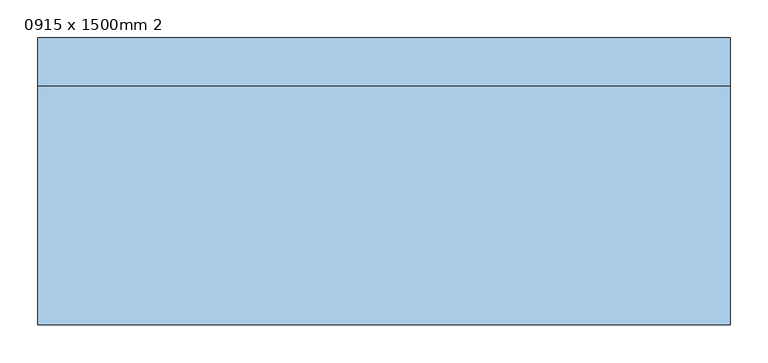
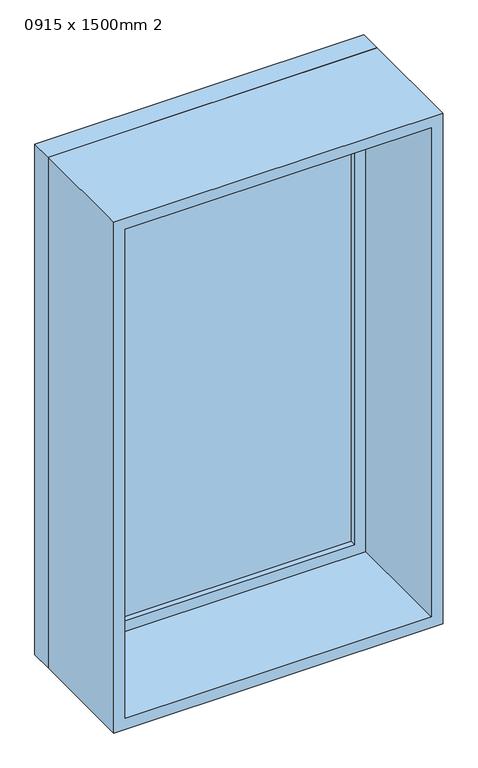
"""IFC4 building model written with IfcOpenShell, lengths in millimetres: window geometry, 0915 x 1500mm 2."""

from ifc_helpers import new_model, si_unit, frame, origin, place, context, project, spatial, polyline, outline, extrude, source, transform, mapped, element, save


def window_0915_x_1500mm_2_ca18a106(model_context):
    return source(origin(), model_context, "Body", "SweptSolid", [
        extrude(outline(polyline([(-394.5, 167.5), (394.5, 167.5), (394.5, 155.5), (-394.5, 155.5), (-394.5, 167.5)])), frame((0.0, 0.0, 978.0), z_axis=(0.0, 0.0, 1.0), x_axis=(1.0, 0.0, 0.0)), (0.0, 0.0, 1.0), 1374.0),
        extrude(outline(polyline([(2396.0, -438.5), (934.0, -438.5), (934.0, 438.5), (2396.0, 438.5), (2396.0, -438.5)]), holes=[polyline([(2352.0, -394.5), (2352.0, 394.5), (978.0, 394.5), (978.0, -394.5), (2352.0, -394.5)])]), frame((0.0, 139.5, 0.0), z_axis=(0.0, 1.0, 0.0), x_axis=(0.0, 0.0, 1.0)), (0.0, 0.0, 1.0), 44.0),
        extrude(outline(polyline([(2415.0, -457.5), (915.0, -457.5), (915.0, 457.5), (2415.0, 457.5), (2415.0, -457.5)]), holes=[polyline([(2396.0, -438.5), (2396.0, 438.5), (934.0, 438.5), (934.0, -438.5), (2396.0, -438.5)])]), frame((0.0, 139.5, 0.0), z_axis=(0.0, 1.0, 0.0), x_axis=(0.0, 0.0, 1.0)), (0.0, 0.0, 1.0), 63.0),
        extrude(outline(polyline([(2415.0, -457.5), (915.0, -457.5), (915.0, 457.5), (2415.0, 457.5), (2415.0, -457.5)]), holes=[polyline([(2383.0, -425.5), (2383.0, 425.5), (947.0, 425.5), (947.0, -425.5), (2383.0, -425.5)])]), frame((0.0, -176.5, 0.0), z_axis=(0.0, 1.0, 0.0), x_axis=(0.0, 0.0, 1.0)), (0.0, 0.0, 1.0), 316.0),
    ])


if __name__ == "__main__":
    model = new_model("IFC4")
    model_context = context("Model", 3, world=origin())
    ifc_project = project(units=[si_unit("LENGTHUNIT", "METRE", prefix="MILLI")], contexts=[model_context])
    site = spatial("IfcSite", under=ifc_project)
    building = spatial("IfcBuilding", under=site)
    placement = place(None, origin())
    window_0915_x_1500mm_2_shape = window_0915_x_1500mm_2_ca18a106(model_context)
    element("IfcWindow", 1, ObjectType="0915 x 1500mm 2", at=placement, inside=building, context=model_context, shape_type="MappedRepresentation", body=[
        mapped(window_0915_x_1500mm_2_shape, transform((0.0, 0.0, 0.0), x_axis=(1.0, 0.0, 0.0), y_axis=(0.0, 1.0, 0.0), z_axis=(0.0, 0.0, 1.0))),
    ])
    save(model, "model.ifc")
